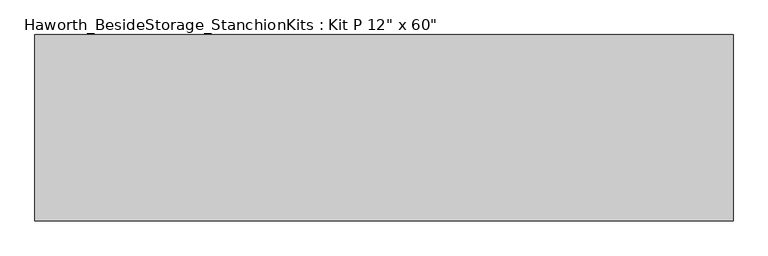
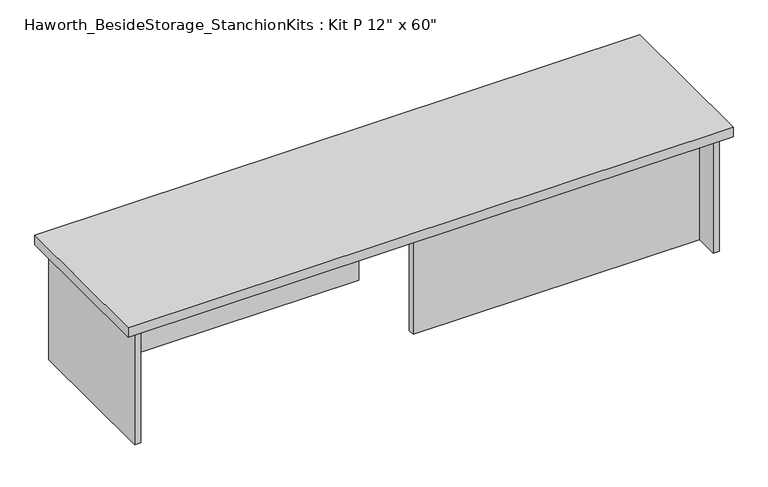
"""IFC4 building model written with IfcOpenShell, lengths in millimetres: furniture geometry."""

from ifc_helpers import new_model, si_unit, frame, origin, place, context, project, spatial, polyline, outline, extrude, source, transform, mapped, element, save


def furniture_86c0f53d(model_context):
    return source(origin(), model_context, "Body", "SweptSolid", [
        extrude(outline(polyline([(923.925, 0.0), (-600.075, 0.0), (-600.075, 406.4), (923.925, 406.4), (923.925, 0.0)])), frame((0.0, 0.0, 736.6), z_axis=(0.0, 0.0, 1.0), x_axis=(1.0, 0.0, 0.0)), (0.0, 0.0, 1.0), 25.4),
        extrude(outline(polyline([(161.925, 76.2), (161.925, 92.075), (882.65, 92.075), (882.65, 76.2), (161.925, 76.2)])), frame((0.0, 0.0, 431.8), z_axis=(0.0, 0.0, 1.0), x_axis=(1.0, 0.0, 0.0)), (0.0, 0.0, 1.0), 304.8),
        extrude(outline(polyline([(161.925, 314.325), (-558.8, 314.325), (-558.8, 330.2), (161.925, 330.2), (161.925, 314.325)])), frame((0.0, 0.0, 431.8), z_axis=(0.0, 0.0, 1.0), x_axis=(1.0, 0.0, 0.0)), (0.0, 0.0, 1.0), 304.8),
        extrude(outline(polyline([(898.525, 390.525), (898.525, 15.875), (882.65, 15.875), (882.65, 390.525), (898.525, 390.525)])), frame((0.0, 0.0, 431.8), z_axis=(0.0, 0.0, 1.0), x_axis=(1.0, 0.0, 0.0)), (0.0, 0.0, 1.0), 304.8),
        extrude(outline(polyline([(-558.8, 390.525), (-558.8, 15.875), (-574.675, 15.875), (-574.675, 390.525), (-558.8, 390.525)])), frame((0.0, 0.0, 431.8), z_axis=(0.0, 0.0, 1.0), x_axis=(1.0, 0.0, 0.0)), (0.0, 0.0, 1.0), 304.8),
    ])


if __name__ == "__main__":
    model = new_model("IFC4")
    model_context = context("Model", 3, world=origin())
    ifc_project = project(units=[si_unit("LENGTHUNIT", "METRE", prefix="MILLI")], contexts=[model_context])
    site = spatial("IfcSite", under=ifc_project)
    building = spatial("IfcBuilding", under=site)
    placement = place(None, origin())
    furniture_shape = furniture_86c0f53d(model_context)
    element("IfcFurniture", 1, ObjectType="Haworth_BesideStorage_StanchionKits : Kit P 12\" x 60\"", at=placement, inside=building, context=model_context, shape_type="MappedRepresentation", body=[
        mapped(furniture_shape, transform((0.0, 0.0, 0.0), x_axis=(1.0, 0.0, 0.0), y_axis=(0.0, 1.0, 0.0), z_axis=(0.0, 0.0, 1.0))),
    ])
    save(model, "model.ifc")
